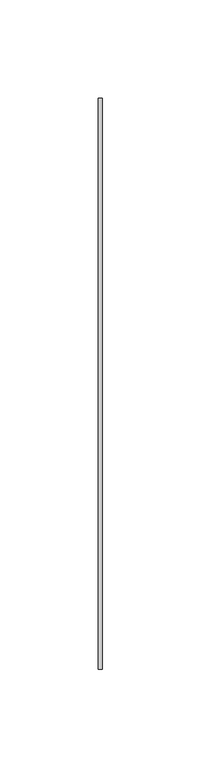
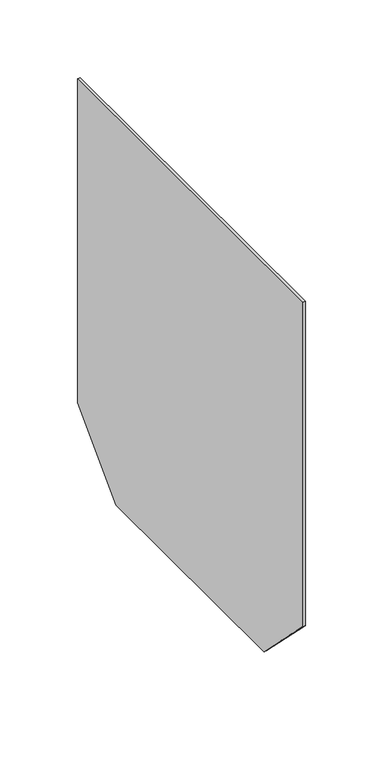
"""IFC4 building model written with IfcOpenShell, lengths in millimetres: proxy geometry."""

from ifc_helpers import new_model, si_unit, frame, origin, place, context, project, spatial, polyline, outline, extrude, source, transform, mapped, element, save


def generic_models_0a284eec(model_context):
    return source(origin(), model_context, "Body", "SweptSolid", [
        extrude(outline(polyline([(145.0, -255.0), (95.0, -305.0), (-95.0, -305.0), (-145.0, -255.0), (-145.0, 0.0), (145.0, 0.0), (145.0, -255.0)])), frame((0.0, 0.0, 0.0), z_axis=(1.0, 0.0, 0.0), x_axis=(0.0, 1.0, 0.0)), (0.0, 0.0, 1.0), 2.0),
    ])


if __name__ == "__main__":
    model = new_model("IFC4")
    model_context = context("Model", 3, world=origin())
    ifc_project = project(units=[si_unit("LENGTHUNIT", "METRE", prefix="MILLI")], contexts=[model_context])
    site = spatial("IfcSite", under=ifc_project)
    building = spatial("IfcBuilding", under=site)
    placement = place(None, origin())
    generic_models_shape = generic_models_0a284eec(model_context)
    element("IfcBuildingElementProxy", 1, Name="Generic Models", at=placement, inside=building, context=model_context, shape_type="MappedRepresentation", body=[
        mapped(generic_models_shape, transform((0.0, 0.0, 0.0), x_axis=(1.0, 0.0, 0.0), y_axis=(0.0, 1.0, 0.0), z_axis=(0.0, 0.0, 1.0))),
    ])
    save(model, "model.ifc")
